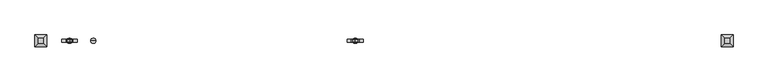
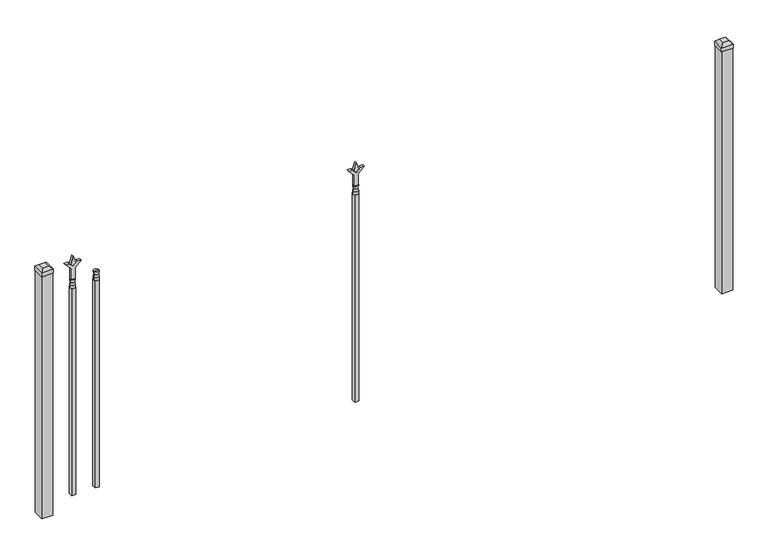
"""IFC4 building model written with IfcOpenShell, lengths in millimetres: railing geometry."""

from ifc_helpers import new_model, si_unit, frame, origin, origin_with_axes, place, context, project, spatial, polyline, circle_curve, outline, extrude, faceted_brep, source, transform, mapped, element, save
from ifc_brep_helpers import plane_surface, cylinder_surface, revolved_surface, advanced_brep


def railing_3cef14e5(model_context):
    return source(origin(), model_context, "Body", "SolidModel", [
        advanced_brep(
        [(-79380.3764203, 5460.7429826, 1079.5), (-79404.1889203, 5460.7429826, 1079.5), (-79404.1889203, 5460.7429826, 1066.8), (-79380.3764203, 5460.7429826, 1066.8), (-79382.5817522, 5460.7429826, 1092.0070585), (-79401.9835884, 5460.7429826, 1092.0070585), (-79380.3764203, 5460.7429826, 1108.075), (-79404.1889203, 5460.7429826, 1108.075), (-79392.2826703, 5460.7429826, 1108.075), (-79392.2826703, 5460.7429826, 1066.8)],
        [
            (0, 1, circle_curve(frame((-79392.2826703, 5460.7429826, 1079.5), z_axis=(0.0, 0.0, -1.0), x_axis=(-1.0, 0.0, 0.0)), 11.90625)),
            (1, 2),
            (2, 3, circle_curve(frame((-79392.2826703, 5460.7429826, 1066.8), z_axis=(0.0, 0.0, 1.0), x_axis=(-1.0, 0.0, 0.0)), 11.90625)),
            (3, 0),
            (1, 0, circle_curve(frame((-79392.2826703, 5460.7429826, 1079.5), z_axis=(0.0, 0.0, -1.0), x_axis=(-1.0, 0.0, 0.0)), 11.90625)),
            (3, 2, circle_curve(frame((-79392.2826703, 5460.7429826, 1066.8), z_axis=(0.0, 0.0, 1.0), x_axis=(-1.0, 0.0, 0.0)), 11.90625)),
            (4, 5, circle_curve(frame((-79392.2826703, 5460.7429826, 1092.0070585), z_axis=(0.0, 0.0, -1.0), x_axis=(-1.0, 0.0, 0.0)), 9.7009181)),
            (5, 1),
            (0, 4),
            (5, 4, circle_curve(frame((-79392.2826703, 5460.7429826, 1092.0070585), z_axis=(0.0, 0.0, -1.0), x_axis=(-1.0, 0.0, 0.0)), 9.7009181)),
            (6, 7, circle_curve(frame((-79392.2826703, 5460.7429826, 1108.075), z_axis=(0.0, 0.0, -1.0), x_axis=(-1.0, 0.0, 0.0)), 11.90625)),
            (7, 5),
            (4, 6),
            (7, 6, circle_curve(frame((-79392.2826703, 5460.7429826, 1108.075), z_axis=(0.0, 0.0, -1.0), x_axis=(-1.0, 0.0, 0.0)), 11.90625)),
            (8, 7),
            (6, 8),
            (2, 9),
            (9, 3),
        ],
        [
            cylinder_surface(frame((-79392.2826703, 5460.7429826, 1066.8), z_axis=(0.0, 0.0, 1.0), x_axis=(-1.0, 0.0, 0.0)), 11.90625),
            revolved_surface(polyline([(-79404.1889203, 5460.7429826, 1079.5), (-79401.9835884, 5460.7429826, 1092.0070585)]), (-79392.2826703, 5460.7429826, 1066.8), (0.0, 0.0, 1.0)),
            revolved_surface(polyline([(-79401.9835884, 5460.7429826, 1092.0070585), (-79404.1889203, 5460.7429826, 1108.075)]), (-79392.2826703, 5460.7429826, 1066.8), (0.0, 0.0, 1.0)),
            plane_surface(frame((-79392.2826703, 5460.7429826, 1108.075), z_axis=(0.0, 0.0, 1.0), x_axis=(-1.0, 0.0, 0.0))),
            plane_surface(frame((-79392.2826703, 5460.7429826, 1066.8), z_axis=(0.0, 0.0, -1.0), x_axis=(-1.0, 0.0, 0.0))),
        ],
        [
            (0, [[1, 2, 3, 4]]),
            (0, [[5, -4, 6, -2]]),
            (1, [[7, 8, -1, 9]]),
            (1, [[10, -9, -5, -8]]),
            (2, [[11, 12, -7, 13]]),
            (2, [[14, -13, -10, -12]]),
            (3, [[15, -11, 16]]),
            (3, [[-16, -14, -15]]),
            (4, [[-3, 17, 18]]),
            (4, [[-6, -18, -17]]),
        ],
    ),
        extrude(outline(polyline([(-79401.8076703, 5470.2679826), (-79382.7576703, 5470.2679826), (-79382.7576703, 5451.2179826), (-79401.8076703, 5451.2179826), (-79401.8076703, 5470.2679826)])), frame((0.0, 0.0, 50.8), z_axis=(0.0, 0.0, 1.0), x_axis=(1.0, 0.0, 0.0)), (0.0, 0.0, 1.0), 1016.0),
        extrude(outline(polyline([(1183.48125, -78178.374337), (1219.2, -78190.280587), (1183.48125, -78202.186837), (1171.575, -78190.280587), (1183.48125, -78178.374337)])), frame((0.0, 5455.9804826, 0.0), z_axis=(0.0, 1.0, 0.0), x_axis=(0.0, 0.0, 1.0)), (0.0, 0.0, 1.0), 9.525),
        extrude(outline(polyline([(1108.075, -78181.549337), (1162.3457378, -78181.549337), (1189.5355122, -78154.3595625), (1189.5355122, -78172.3200747), (1171.575, -78190.280587), (1189.5355122, -78208.2410992), (1189.5355122, -78226.2016114), (1162.3457378, -78199.011837), (1108.075, -78199.011837), (1108.075, -78181.549337)])), frame((0.0, 5454.3929826, 0.0), z_axis=(0.0, 1.0, 0.0), x_axis=(0.0, 0.0, 1.0)), (0.0, 0.0, 1.0), 12.7),
        advanced_brep(
        [(-78178.374337, 5460.7429826, 1079.5), (-78202.186837, 5460.7429826, 1079.5), (-78202.186837, 5460.7429826, 1066.8), (-78178.374337, 5460.7429826, 1066.8), (-78180.5796688, 5460.7429826, 1092.0070585), (-78199.9815051, 5460.7429826, 1092.0070585), (-78178.374337, 5460.7429826, 1108.075), (-78202.186837, 5460.7429826, 1108.075), (-78190.280587, 5460.7429826, 1108.075), (-78190.280587, 5460.7429826, 1066.8)],
        [
            (0, 1, circle_curve(frame((-78190.280587, 5460.7429826, 1079.5), z_axis=(0.0, 0.0, -1.0), x_axis=(-1.0, 0.0, 0.0)), 11.90625)),
            (1, 2),
            (2, 3, circle_curve(frame((-78190.280587, 5460.7429826, 1066.8), z_axis=(0.0, 0.0, 1.0), x_axis=(-1.0, 0.0, 0.0)), 11.90625)),
            (3, 0),
            (1, 0, circle_curve(frame((-78190.280587, 5460.7429826, 1079.5), z_axis=(0.0, 0.0, -1.0), x_axis=(-1.0, 0.0, 0.0)), 11.90625)),
            (3, 2, circle_curve(frame((-78190.280587, 5460.7429826, 1066.8), z_axis=(0.0, 0.0, 1.0), x_axis=(-1.0, 0.0, 0.0)), 11.90625)),
            (4, 5, circle_curve(frame((-78190.280587, 5460.7429826, 1092.0070585), z_axis=(0.0, 0.0, -1.0), x_axis=(-1.0, 0.0, 0.0)), 9.7009181)),
            (5, 1),
            (0, 4),
            (5, 4, circle_curve(frame((-78190.280587, 5460.7429826, 1092.0070585), z_axis=(0.0, 0.0, -1.0), x_axis=(-1.0, 0.0, 0.0)), 9.7009181)),
            (6, 7, circle_curve(frame((-78190.280587, 5460.7429826, 1108.075), z_axis=(0.0, 0.0, -1.0), x_axis=(-1.0, 0.0, 0.0)), 11.90625)),
            (7, 5),
            (4, 6),
            (7, 6, circle_curve(frame((-78190.280587, 5460.7429826, 1108.075), z_axis=(0.0, 0.0, -1.0), x_axis=(-1.0, 0.0, 0.0)), 11.90625)),
            (8, 7),
            (6, 8),
            (2, 9),
            (9, 3),
        ],
        [
            cylinder_surface(frame((-78190.280587, 5460.7429826, 1066.8), z_axis=(0.0, 0.0, 1.0), x_axis=(-1.0, 0.0, 0.0)), 11.90625),
            revolved_surface(polyline([(-78202.186837, 5460.7429826, 1079.5), (-78199.9815051, 5460.7429826, 1092.0070585)]), (-78190.280587, 5460.7429826, 1066.8), (0.0, 0.0, 1.0)),
            revolved_surface(polyline([(-78199.9815051, 5460.7429826, 1092.0070585), (-78202.186837, 5460.7429826, 1108.075)]), (-78190.280587, 5460.7429826, 1066.8), (0.0, 0.0, 1.0)),
            plane_surface(frame((-78190.280587, 5460.7429826, 1108.075), z_axis=(0.0, 0.0, 1.0), x_axis=(-1.0, 0.0, 0.0))),
            plane_surface(frame((-78190.280587, 5460.7429826, 1066.8), z_axis=(0.0, 0.0, -1.0), x_axis=(-1.0, 0.0, 0.0))),
        ],
        [
            (0, [[1, 2, 3, 4]]),
            (0, [[5, -4, 6, -2]]),
            (1, [[7, 8, -1, 9]]),
            (1, [[10, -9, -5, -8]]),
            (2, [[11, 12, -7, 13]]),
            (2, [[14, -13, -10, -12]]),
            (3, [[15, -11, 16]]),
            (3, [[-16, -14, -15]]),
            (4, [[-3, 17, 18]]),
            (4, [[-6, -18, -17]]),
        ],
    ),
        extrude(outline(polyline([(-78199.805587, 5470.2679826), (-78180.755587, 5470.2679826), (-78180.755587, 5451.2179826), (-78199.805587, 5451.2179826), (-78199.805587, 5470.2679826)])), frame((0.0, 0.0, 50.8), z_axis=(0.0, 0.0, 1.0), x_axis=(1.0, 0.0, 0.0)), (0.0, 0.0, 1.0), 1016.0),
        extrude(outline(polyline([(1183.48125, -79489.649337), (1219.2, -79501.555587), (1183.48125, -79513.461837), (1171.575, -79501.555587), (1183.48125, -79489.649337)])), frame((0.0, 5455.9804826, 0.0), z_axis=(0.0, 1.0, 0.0), x_axis=(0.0, 0.0, 1.0)), (0.0, 0.0, 1.0), 9.525),
        extrude(outline(polyline([(1108.075, -79492.824337), (1162.3457378, -79492.824337), (1189.5355122, -79465.6345625), (1189.5355122, -79483.5950747), (1171.575, -79501.555587), (1189.5355122, -79519.5160992), (1189.5355122, -79537.4766114), (1162.3457378, -79510.286837), (1108.075, -79510.286837), (1108.075, -79492.824337)])), frame((0.0, 5454.3929826, 0.0), z_axis=(0.0, 1.0, 0.0), x_axis=(0.0, 0.0, 1.0)), (0.0, 0.0, 1.0), 12.7),
        advanced_brep(
        [(-79489.649337, 5460.7429826, 1079.5), (-79513.461837, 5460.7429826, 1079.5), (-79513.461837, 5460.7429826, 1066.8), (-79489.649337, 5460.7429826, 1066.8), (-79491.8546688, 5460.7429826, 1092.0070585), (-79511.2565051, 5460.7429826, 1092.0070585), (-79489.649337, 5460.7429826, 1108.075), (-79513.461837, 5460.7429826, 1108.075), (-79501.555587, 5460.7429826, 1108.075), (-79501.555587, 5460.7429826, 1066.8)],
        [
            (0, 1, circle_curve(frame((-79501.555587, 5460.7429826, 1079.5), z_axis=(0.0, 0.0, -1.0), x_axis=(-1.0, 0.0, 0.0)), 11.90625)),
            (1, 2),
            (2, 3, circle_curve(frame((-79501.555587, 5460.7429826, 1066.8), z_axis=(0.0, 0.0, 1.0), x_axis=(-1.0, 0.0, 0.0)), 11.90625)),
            (3, 0),
            (1, 0, circle_curve(frame((-79501.555587, 5460.7429826, 1079.5), z_axis=(0.0, 0.0, -1.0), x_axis=(-1.0, 0.0, 0.0)), 11.90625)),
            (3, 2, circle_curve(frame((-79501.555587, 5460.7429826, 1066.8), z_axis=(0.0, 0.0, 1.0), x_axis=(-1.0, 0.0, 0.0)), 11.90625)),
            (4, 5, circle_curve(frame((-79501.555587, 5460.7429826, 1092.0070585), z_axis=(0.0, 0.0, -1.0), x_axis=(-1.0, 0.0, 0.0)), 9.7009181)),
            (5, 1),
            (0, 4),
            (5, 4, circle_curve(frame((-79501.555587, 5460.7429826, 1092.0070585), z_axis=(0.0, 0.0, -1.0), x_axis=(-1.0, 0.0, 0.0)), 9.7009181)),
            (6, 7, circle_curve(frame((-79501.555587, 5460.7429826, 1108.075), z_axis=(0.0, 0.0, -1.0), x_axis=(-1.0, 0.0, 0.0)), 11.90625)),
            (7, 5),
            (4, 6),
            (7, 6, circle_curve(frame((-79501.555587, 5460.7429826, 1108.075), z_axis=(0.0, 0.0, -1.0), x_axis=(-1.0, 0.0, 0.0)), 11.90625)),
            (8, 7),
            (6, 8),
            (2, 9),
            (9, 3),
        ],
        [
            cylinder_surface(frame((-79501.555587, 5460.7429826, 1066.8), z_axis=(0.0, 0.0, 1.0), x_axis=(-1.0, 0.0, 0.0)), 11.90625),
            revolved_surface(polyline([(-79513.461837, 5460.7429826, 1079.5), (-79511.2565051, 5460.7429826, 1092.0070585)]), (-79501.555587, 5460.7429826, 1066.8), (0.0, 0.0, 1.0)),
            revolved_surface(polyline([(-79511.2565051, 5460.7429826, 1092.0070585), (-79513.461837, 5460.7429826, 1108.075)]), (-79501.555587, 5460.7429826, 1066.8), (0.0, 0.0, 1.0)),
            plane_surface(frame((-79501.555587, 5460.7429826, 1108.075), z_axis=(0.0, 0.0, 1.0), x_axis=(-1.0, 0.0, 0.0))),
            plane_surface(frame((-79501.555587, 5460.7429826, 1066.8), z_axis=(0.0, 0.0, -1.0), x_axis=(-1.0, 0.0, 0.0))),
        ],
        [
            (0, [[1, 2, 3, 4]]),
            (0, [[5, -4, 6, -2]]),
            (1, [[7, 8, -1, 9]]),
            (1, [[10, -9, -5, -8]]),
            (2, [[11, 12, -7, 13]]),
            (2, [[14, -13, -10, -12]]),
            (3, [[15, -11, 16]]),
            (3, [[-16, -14, -15]]),
            (4, [[-3, 17, 18]]),
            (4, [[-6, -18, -17]]),
        ],
    ),
        extrude(outline(polyline([(-79511.080587, 5470.2679826), (-79492.030587, 5470.2679826), (-79492.030587, 5451.2179826), (-79511.080587, 5451.2179826), (-79511.080587, 5470.2679826)])), frame((0.0, 0.0, 50.8), z_axis=(0.0, 0.0, 1.0), x_axis=(1.0, 0.0, 0.0)), (0.0, 0.0, 1.0), 1016.0),
        extrude(outline(polyline([(-76458.318087, 5486.1429826), (-76458.318087, 5435.3429826), (-76509.118087, 5435.3429826), (-76509.118087, 5486.1429826), (-76458.318087, 5486.1429826)])), origin_with_axes(), (0.0, 0.0, 1.0), 1187.45),
        faceted_brep([(-76510.705587, 5487.7304826, 1206.5), (-76510.705587, 5487.7304826, 1187.45), (-76510.705587, 5433.7554826, 1187.45), (-76510.705587, 5433.7554826, 1206.5), (-76498.005587, 5475.0304826, 1219.2), (-76498.005587, 5446.4554826, 1219.2), (-76456.730587, 5433.7554826, 1187.45), (-76456.730587, 5433.7554826, 1206.5), (-76469.430587, 5446.4554826, 1219.2), (-76456.730587, 5487.7304826, 1187.45), (-76456.730587, 5487.7304826, 1206.5), (-76469.430587, 5475.0304826, 1219.2)], [[[0, 1, 2, 3]], [[4, 0, 3, 5]], [[3, 2, 6, 7]], [[5, 3, 7, 8]], [[7, 6, 9, 10]], [[8, 7, 10, 11]], [[10, 9, 1, 0]], [[11, 10, 0, 4]], [[5, 8, 11, 4]], [[1, 9, 6, 2]]]),
        extrude(outline(polyline([(-79607.918087, 5486.1429826), (-79607.918087, 5435.3429826), (-79658.718087, 5435.3429826), (-79658.718087, 5486.1429826), (-79607.918087, 5486.1429826)])), origin_with_axes(), (0.0, 0.0, 1.0), 1187.45),
        faceted_brep([(-79660.305587, 5487.7304826, 1206.5), (-79660.305587, 5487.7304826, 1187.45), (-79660.305587, 5433.7554826, 1187.45), (-79660.305587, 5433.7554826, 1206.5), (-79647.605587, 5475.0304826, 1219.2), (-79647.605587, 5446.4554826, 1219.2), (-79606.330587, 5433.7554826, 1187.45), (-79606.330587, 5433.7554826, 1206.5), (-79619.030587, 5446.4554826, 1219.2), (-79606.330587, 5487.7304826, 1187.45), (-79606.330587, 5487.7304826, 1206.5), (-79619.030587, 5475.0304826, 1219.2)], [[[0, 1, 2, 3]], [[4, 0, 3, 5]], [[3, 2, 6, 7]], [[5, 3, 7, 8]], [[7, 6, 9, 10]], [[8, 7, 10, 11]], [[10, 9, 1, 0]], [[11, 10, 0, 4]], [[5, 8, 11, 4]], [[1, 9, 6, 2]]]),
    ])


if __name__ == "__main__":
    model = new_model("IFC4")
    model_context = context("Model", 3, world=origin())
    ifc_project = project(units=[si_unit("LENGTHUNIT", "METRE", prefix="MILLI")], contexts=[model_context])
    site = spatial("IfcSite", under=ifc_project)
    building = spatial("IfcBuilding", under=site)
    placement = place(None, origin())
    railing_shape = railing_3cef14e5(model_context)
    element("IfcRailing", 1, at=placement, inside=building, context=model_context, shape_type="MappedRepresentation", body=[
        mapped(railing_shape, transform((0.0, 0.0, 0.0), x_axis=(1.0, 0.0, 0.0), y_axis=(0.0, 1.0, 0.0), z_axis=(0.0, 0.0, 1.0))),
    ])
    save(model, "model.ifc")
